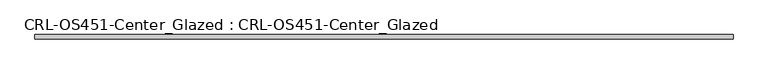
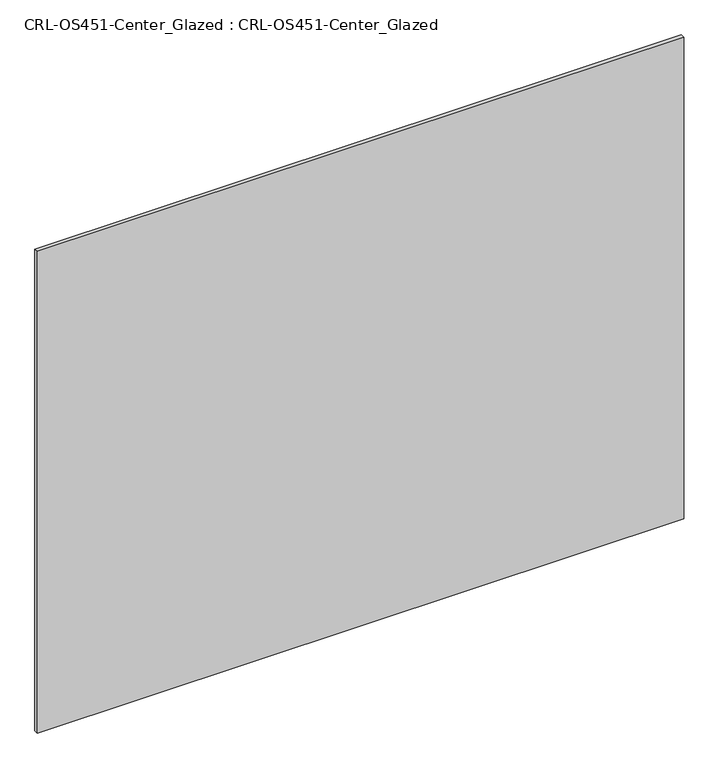
"""IFC4 building model written with IfcOpenShell, lengths in millimetres: plate geometry, CRL-OS451-Center_Glazed : CRL-OS451-Center_Glazed."""

from ifc_helpers import new_model, si_unit, origin, origin_with_axes, place, context, project, spatial, polyline, outline, extrude, source, transform, mapped, element, save


def crl_os451_center_glazed_crl_os451_center_glazed_0fc78af1(model_context):
    return source(origin(), model_context, "Body", "SweptSolid", [
        extrude(outline(polyline([(-1935.1624997, 12.709956), (1935.1624997, 12.709956), (1935.1624997, -12.709956), (-1935.1624997, -12.709956), (-1935.1624997, 12.709956)])), origin_with_axes(), (0.0, 0.0, 1.0), 3048.0),
    ])


if __name__ == "__main__":
    model = new_model("IFC4")
    model_context = context("Model", 3, world=origin())
    ifc_project = project(units=[si_unit("LENGTHUNIT", "METRE", prefix="MILLI")], contexts=[model_context])
    site = spatial("IfcSite", under=ifc_project)
    building = spatial("IfcBuilding", under=site)
    placement = place(None, origin())
    crl_os451_center_glazed_crl_os451_center_glazed_shape = crl_os451_center_glazed_crl_os451_center_glazed_0fc78af1(model_context)
    element("IfcPlate", 1, ObjectType="CRL-OS451-Center_Glazed : CRL-OS451-Center_Glazed", at=placement, inside=building, context=model_context, shape_type="MappedRepresentation", body=[
        mapped(crl_os451_center_glazed_crl_os451_center_glazed_shape, transform((0.0, 0.0, 0.0), x_axis=(1.0, 0.0, 0.0), y_axis=(0.0, 1.0, 0.0), z_axis=(0.0, 0.0, 1.0))),
    ])
    save(model, "model.ifc")
